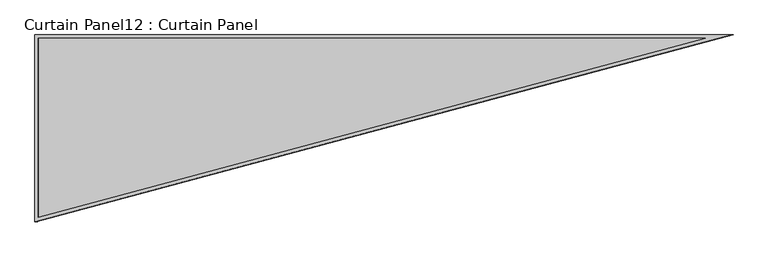
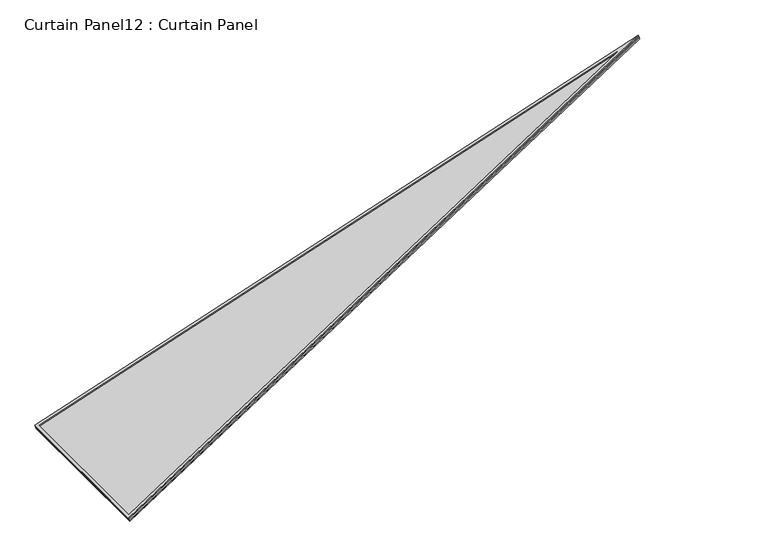
"""IFC4 building model written with IfcOpenShell, lengths in millimetres: plate geometry, Curtain Panel12 : Curtain Panel."""

from ifc_helpers import new_model, si_unit, frame, origin, place, context, project, spatial, polyline, outline, extrude, source, transform, mapped, element, save


def curtain_panel12_curtain_panel_9e943393(model_context):
    return source(origin(), model_context, "Body", "SweptSolid", [
        extrude(outline(polyline([(895.9373554, 0.0), (895.9373554, -3524.4506618), (0.0, 0.0), (895.9373554, 0.0)]), holes=[polyline([(885.5989394, -10.338416), (13.2953155, -10.338416), (885.5989394, -3441.8183807), (885.5989394, -10.338416)])]), frame((5636.9891004, -432.3729352, 882.0076955), z_axis=(-0.3161458239738086, 0.0, 0.9487106081329131), x_axis=(0.0, 1.0, 0.0)), (0.0, 0.0, 1.0), 4.7748475),
        extrude(outline(polyline([(895.9373554, 0.0), (895.9373554, -3524.4506618), (0.0, 0.0), (895.9373554, 0.0)]), holes=[polyline([(879.2745575, -16.6627978), (21.4285394, -16.6627978), (879.2745575, -3391.2692346), (879.2745575, -16.6627978)])]), frame((5631.4423002, -432.3729352, 898.6528882), z_axis=(-0.3161458239738086, 0.0, 0.9487106081329131), x_axis=(0.0, 1.0, 0.0)), (0.0, 0.0, 1.0), 4.8815782),
        extrude(outline(polyline([(18.021965, 0.0), (913.9593204, 0.0), (913.9593204, -3524.4506618), (18.021965, 0.0)])), frame((5635.4795523, -450.3949002, 886.5376439), z_axis=(-0.3161458239738053, 0.0, 0.9487106081329142), x_axis=(0.0, 1.0, 0.0)), (0.0, 0.0, 1.0), 12.7702211),
    ])


if __name__ == "__main__":
    model = new_model("IFC4")
    model_context = context("Model", 3, world=origin())
    ifc_project = project(units=[si_unit("LENGTHUNIT", "METRE", prefix="MILLI")], contexts=[model_context])
    site = spatial("IfcSite", under=ifc_project)
    building = spatial("IfcBuilding", under=site)
    placement = place(None, origin())
    curtain_panel12_curtain_panel_shape = curtain_panel12_curtain_panel_9e943393(model_context)
    element("IfcPlate", 1, ObjectType="Curtain Panel12 : Curtain Panel", at=placement, inside=building, context=model_context, shape_type="MappedRepresentation", body=[
        mapped(curtain_panel12_curtain_panel_shape, transform((0.0, 0.0, 0.0), x_axis=(1.0, 0.0, 0.0), y_axis=(0.0, 1.0, 0.0), z_axis=(0.0, 0.0, 1.0))),
    ])
    save(model, "model.ifc")
